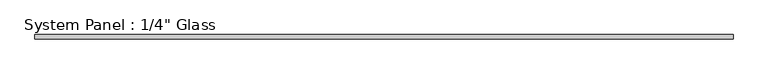
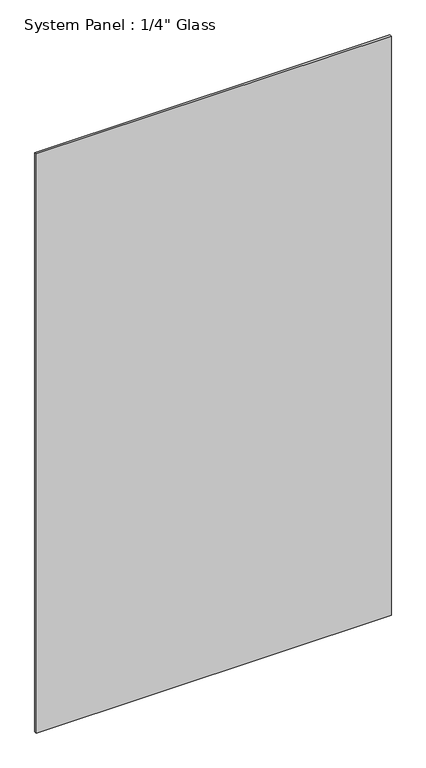
"""IFC4 building model written with IfcOpenShell, lengths in millimetres: plate geometry."""

from ifc_helpers import new_model, si_unit, origin, origin_with_axes, place, context, project, spatial, polyline, outline, extrude, source, transform, mapped, element, save


def plate_f24f439d(model_context):
    return source(origin(), model_context, "Body", "SweptSolid", [
        extrude(outline(polyline([(504.825, -3.175), (-504.825, -3.175), (-504.825, 3.175), (504.825, 3.175), (504.825, -3.175)])), origin_with_axes(), (0.0, 0.0, 1.0), 1739.9),
    ])


if __name__ == "__main__":
    model = new_model("IFC4")
    model_context = context("Model", 3, world=origin())
    ifc_project = project(units=[si_unit("LENGTHUNIT", "METRE", prefix="MILLI")], contexts=[model_context])
    site = spatial("IfcSite", under=ifc_project)
    building = spatial("IfcBuilding", under=site)
    placement = place(None, origin())
    plate_shape = plate_f24f439d(model_context)
    element("IfcPlate", 1, ObjectType="System Panel : 1/4\" Glass", at=placement, inside=building, context=model_context, shape_type="MappedRepresentation", body=[
        mapped(plate_shape, transform((0.0, 0.0, 0.0), x_axis=(1.0, 0.0, 0.0), y_axis=(0.0, 1.0, 0.0), z_axis=(0.0, 0.0, 1.0))),
    ])
    save(model, "model.ifc")
